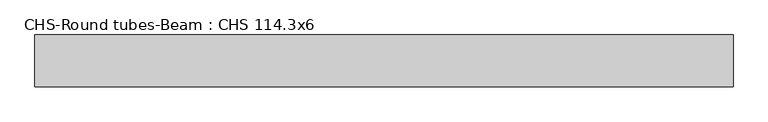
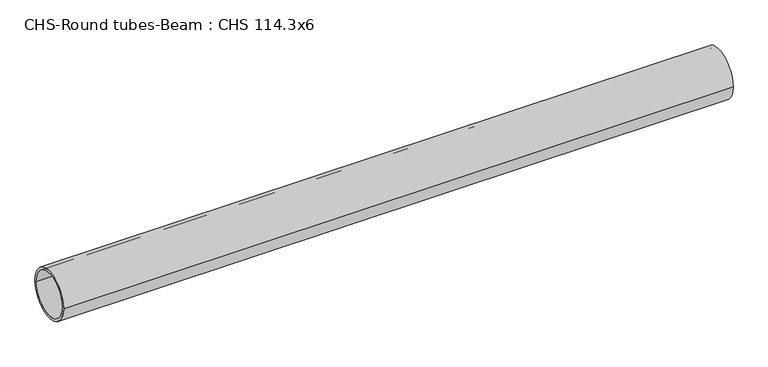
"""IFC4 building model written with IfcOpenShell, lengths in millimetres: beam geometry, CHS-Round tubes-Beam : CHS 114.3x6."""

from ifc_helpers import new_model, si_unit, point, frame, origin, origin_2d, place, context, project, spatial, circle_curve, trimmed, segment, composite_curve, outline, extrude, source, transform, mapped, element, save


def chs_round_tubes_beam_chs_114_3x6_cdd10d58(model_context):
    return source(origin(), model_context, "Body", "SweptSolid", [
        extrude(outline(composite_curve([segment(trimmed(circle_curve(origin_2d(), 57.15), [point((57.15, 0.0))], [point((-57.15, 0.0))], False, "CARTESIAN"), True, "CONTINUOUS"), segment(trimmed(circle_curve(origin_2d(), 57.15), [point((-57.15, 0.0))], [point((57.15, 0.0))], False, "CARTESIAN"), True, "CONTINUOUS")], self_intersect=False), holes=[composite_curve([segment(trimmed(circle_curve(origin_2d(), 51.15), [point((51.15, 0.0))], [point((-51.15, 0.0))], True, "CARTESIAN"), True, "CONTINUOUS"), segment(trimmed(circle_curve(origin_2d(), 51.15), [point((-51.15, 0.0))], [point((51.15, 0.0))], True, "CARTESIAN"), True, "CONTINUOUS")], self_intersect=False)]), frame((-784.3664331, 0.0, 0.0), z_axis=(1.0, 0.0, 0.0), x_axis=(0.0, 1.0, 0.0)), (0.0, 0.0, 1.0), 1543.4331393),
    ])


if __name__ == "__main__":
    model = new_model("IFC4")
    model_context = context("Model", 3, world=origin())
    ifc_project = project(units=[si_unit("LENGTHUNIT", "METRE", prefix="MILLI")], contexts=[model_context])
    site = spatial("IfcSite", under=ifc_project)
    building = spatial("IfcBuilding", under=site)
    placement = place(None, origin())
    chs_round_tubes_beam_chs_114_3x6_shape = chs_round_tubes_beam_chs_114_3x6_cdd10d58(model_context)
    element("IfcBeam", 1, ObjectType="CHS-Round tubes-Beam : CHS 114.3x6", at=placement, inside=building, context=model_context, shape_type="MappedRepresentation", body=[
        mapped(chs_round_tubes_beam_chs_114_3x6_shape, transform((0.0, 0.0, 0.0), x_axis=(1.0, 0.0, 0.0), y_axis=(0.0, 1.0, 0.0), z_axis=(0.0, 0.0, 1.0))),
    ])
    save(model, "model.ifc")
